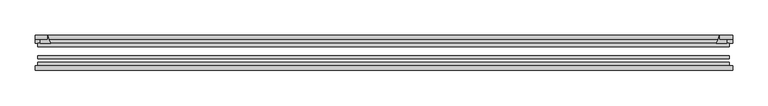
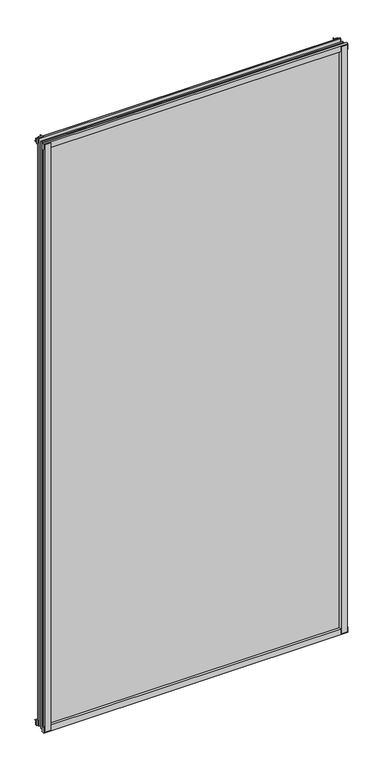
"""IFC4 building model written with IfcOpenShell, lengths in millimetres: plate geometry."""

from ifc_helpers import new_model, si_unit, point, frame, frame_2d, origin, place, context, project, spatial, polyline, circle_curve, trimmed, segment, composite_curve, outline, extrude, source, transform, mapped, element, save


def plate_19dec7ce(model_context):
    return source(origin(), model_context, "Body", "SweptSolid", [
        extrude(outline(composite_curve([segment(polyline([(-488.1419625, -78.7828625), (-466.7207612, -78.7828625)]), True, "CONTINUOUS"), segment(trimmed(circle_curve(frame_2d((-459.0835956, -84.652782)), 9.6323545), [point((-466.7207612, -78.7828625))], [point((-468.703979, -85.1328625))], True, "CARTESIAN"), True, "CONTINUOUS"), segment(polyline([(-468.703979, -85.1328625), (-488.1419625, -85.1328625), (-488.1419625, -78.7828625)]), True, "CONTINUOUS")], self_intersect=False)), frame((0.0, 0.0, -14.2875), z_axis=(0.0, 0.0, 1.0), x_axis=(1.0, 0.0, 0.0)), (0.0, 0.0, 1.0), 2009.775),
        extrude(outline(composite_curve([segment(polyline([(490.723869, -78.7828625), (490.723869, -85.1328625), (471.243979, -85.1328625)]), True, "CONTINUOUS"), segment(trimmed(circle_curve(frame_2d((461.6235956, -84.652782)), 9.6323545), [point((471.243979, -85.1328625))], [point((469.2607612, -78.7828625))], True, "CARTESIAN"), True, "CONTINUOUS"), segment(polyline([(469.2607612, -78.7828625), (490.723869, -78.7828625)]), True, "CONTINUOUS")], self_intersect=False)), frame((0.0, 0.0, -14.2875), z_axis=(0.0, 0.0, 1.0), x_axis=(1.0, 0.0, 0.0)), (0.0, 0.0, 1.0), 2009.775),
        extrude(outline(composite_curve([segment(polyline([(-47.1852625, -14.2875), (-47.1852625, 3.9588469)]), True, "CONTINUOUS"), segment(trimmed(circle_curve(frame_2d((-30.6824422, 32.267054)), 32.7673262), [point((-47.1852625, 3.9588469))], [point((-36.3503395, -0.00635))], True, "CARTESIAN"), True, "CONTINUOUS"), segment(polyline([(-36.3503395, -0.00635), (-42.2830625, -0.00635), (-42.2830625, -14.2875), (-47.1852625, -14.2875)]), True, "CONTINUOUS")], self_intersect=False)), frame((-491.3169625, 0.0, 0.0), z_axis=(1.0, 0.0, 0.0), x_axis=(0.0, 1.0, 0.0)), (0.0, 0.0, 1.0), 984.0229875),
        extrude(outline(composite_curve([segment(polyline([(-78.7828625, -16.8821065), (-85.1328625, -16.8821065), (-85.1328625, 2.5977835)]), True, "CONTINUOUS"), segment(trimmed(circle_curve(frame_2d((-84.652782, 12.2181669)), 9.6323545), [point((-85.1328625, 2.5977835))], [point((-78.7828625, 4.5810013))], True, "CARTESIAN"), True, "CONTINUOUS"), segment(polyline([(-78.7828625, 4.5810013), (-78.7828625, -16.8821065)]), True, "CONTINUOUS")], self_intersect=False)), frame((-491.3169625, 0.0, 0.0), z_axis=(1.0, 0.0, 0.0), x_axis=(0.0, 1.0, 0.0)), (0.0, 0.0, 1.0), 984.0229875),
        extrude(outline(composite_curve([segment(polyline([(-47.1852625, 1977.2284531), (-47.1852625, 1991.9002564), (-42.2830625, 1991.9002564), (-42.2830625, 1981.2), (-36.3140625, 1981.2)]), True, "CONTINUOUS"), segment(trimmed(circle_curve(frame_2d((-30.6824422, 1948.920246)), 32.7673262), [point((-36.3140625, 1981.2))], [point((-47.1852625, 1977.2284531))], True, "CARTESIAN"), True, "CONTINUOUS")], self_intersect=False)), frame((-491.3169625, 0.0, 0.0), z_axis=(1.0, 0.0, 0.0), x_axis=(0.0, 1.0, 0.0)), (0.0, 0.0, 1.0), 984.0229875),
        extrude(outline(composite_curve([segment(polyline([(-78.7828625, 1998.0694065), (-78.7828625, 1976.6062987)]), True, "CONTINUOUS"), segment(trimmed(circle_curve(frame_2d((-84.652782, 1968.9691331)), 9.6323545), [point((-78.7828625, 1976.6062987))], [point((-85.1328625, 1978.5895165))], True, "CARTESIAN"), True, "CONTINUOUS"), segment(polyline([(-85.1328625, 1978.5895165), (-85.1328625, 1998.0694065), (-78.7828625, 1998.0694065)]), True, "CONTINUOUS")], self_intersect=False)), frame((-491.3169625, 0.0, 0.0), z_axis=(1.0, 0.0, 0.0), x_axis=(0.0, 1.0, 0.0)), (0.0, 0.0, 1.0), 984.0229875),
        extrude(outline(composite_curve([segment(trimmed(circle_curve(frame_2d((441.5747085, -30.6824422)), 32.7673262), [point((469.8829156, -47.1852625))], [point((473.8544625, -36.3140625))], True, "CARTESIAN"), True, "CONTINUOUS"), segment(polyline([(473.8544625, -36.3140625), (473.8544625, -42.2830625), (484.5548278, -42.2830625), (484.5548278, -47.1852625), (469.8829156, -47.1852625)]), True, "CONTINUOUS")], self_intersect=False)), frame((0.0, 0.0, -14.2875), z_axis=(0.0, 0.0, 1.0), x_axis=(1.0, 0.0, 0.0)), (0.0, 0.0, 1.0), 2009.775),
        extrude(outline(composite_curve([segment(polyline([(-469.8829156, -47.1852625), (-484.5496717, -47.1852625), (-484.5496717, -42.2830625), (-473.8544625, -42.2830625), (-473.8544625, -36.3140625)]), True, "CONTINUOUS"), segment(trimmed(circle_curve(frame_2d((-441.5747085, -30.6824422)), 32.7673262), [point((-473.8544625, -36.3140625))], [point((-469.8829156, -47.1852625))], True, "CARTESIAN"), True, "CONTINUOUS")], self_intersect=False)), frame((0.0, 0.0, -14.2875), z_axis=(0.0, 0.0, 1.0), x_axis=(1.0, 0.0, 0.0)), (0.0, 0.0, 1.0), 2009.775),
        extrude(outline(polyline([(488.1419625, -64.6604625), (488.1419625, -69.4356625), (-488.1419625, -69.4356625), (-488.1419625, -64.6604625), (488.1419625, -64.6604625)])), frame((0.0, 0.0, -14.2875), z_axis=(0.0, 0.0, 1.0), x_axis=(1.0, 0.0, 0.0)), (0.0, 0.0, 1.0), 2009.775),
        extrude(outline(polyline([(-488.1419625, -78.7828625), (-488.1419625, -74.0076625), (488.1419625, -74.0076625), (488.1419625, -78.7828625), (-488.1419625, -78.7828625)])), frame((0.0, 0.0, -14.2875), z_axis=(0.0, 0.0, 1.0), x_axis=(1.0, 0.0, 0.0)), (0.0, 0.0, 1.0), 2009.775),
        extrude(outline(polyline([(-488.1419625, -47.1852625), (488.1419625, -47.1852625), (488.1419625, -51.9604625), (-488.1419625, -51.9604625), (-488.1419625, -47.1852625)])), frame((0.0, 0.0, -14.2875), z_axis=(0.0, 0.0, 1.0), x_axis=(1.0, 0.0, 0.0)), (0.0, 0.0, 1.0), 2009.775),
    ])


if __name__ == "__main__":
    model = new_model("IFC4")
    model_context = context("Model", 3, world=origin())
    ifc_project = project(units=[si_unit("LENGTHUNIT", "METRE", prefix="MILLI")], contexts=[model_context])
    site = spatial("IfcSite", under=ifc_project)
    building = spatial("IfcBuilding", under=site)
    placement = place(None, origin())
    plate_shape = plate_19dec7ce(model_context)
    element("IfcPlate", 1, at=placement, inside=building, context=model_context, shape_type="MappedRepresentation", body=[
        mapped(plate_shape, transform((0.0, 0.0, 0.0), x_axis=(1.0, 0.0, 0.0), y_axis=(0.0, 1.0, 0.0), z_axis=(0.0, 0.0, 1.0))),
    ])
    save(model, "model.ifc")
